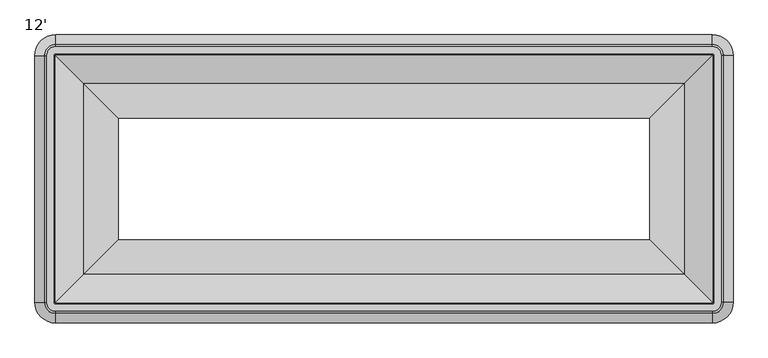
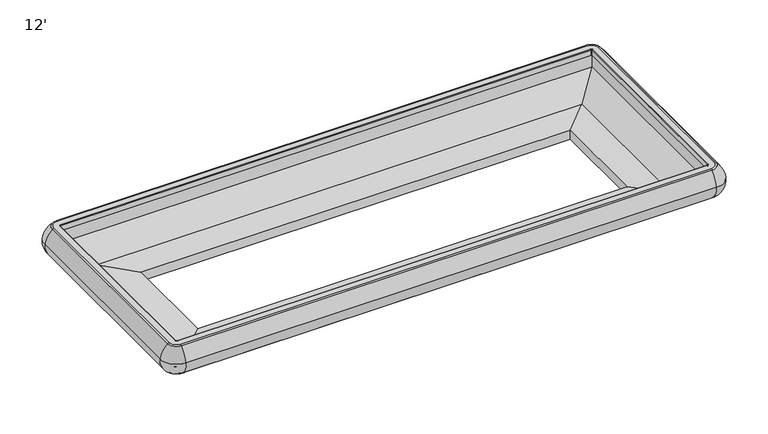
"""IFC4 building model written with IfcOpenShell, lengths in millimetres: proxy geometry, 12'."""

from ifc_helpers import new_model, si_unit, point, frame, origin, place, context, project, spatial, polyline, circle_curve, ellipse_curve, trimmed, faceted_brep, source, transform, mapped, element, save
from ifc_brep_helpers import plane_surface, cylinder_surface, revolved_surface, advanced_brep


def proxy_12_d27f2748(model_context):
    return source(origin(), model_context, "Body", "SolidModel", [
        advanced_brep(
        [(128.5372773, -2016.1117293, 594.7340526), (128.5372773, -1984.4852306, 504.5515988), (3773.5377227, -1984.4852306, 504.5515988), (3773.5377227, -2016.1117293, 594.7340526), (128.5372773, -1963.2278603, 687.1369709), (3773.5377227, -1963.2278603, 687.1369709), (128.5372773, -1952.4301981, 691.368246), (3773.5377227, -1952.4301981, 691.368246), (128.5372773, -1906.6873921, 649.6873876), (128.5372773, -1906.6873921, 688.1962924), (3773.5377227, -1906.6873921, 688.1962924), (3773.5377227, -1906.6873921, 649.6873876), (128.5372773, -1946.7201479, 529.929056), (128.5372773, -1946.7201479, 649.6873876), (3773.5377227, -1946.7201479, 649.6873876), (3773.5377227, -1946.7201479, 529.929056), (128.5372773, -1907.4969085, 502.405218), (3773.5377227, -1907.4969085, 502.405218), (128.5372773, -1979.7214149, 502.4019738), (3773.5377227, -1979.7214149, 502.4019738), (3888.2900979, -1901.3593541, 594.7340526), (3856.6635993, -1901.3593541, 504.5515988), (3835.4062289, -1901.3593541, 687.1369709), (3824.6085667, -1901.3593541, 691.368246), (3778.8657608, -1901.3593541, 649.6873876), (3778.8657608, -1901.3593541, 688.1962924), (3818.8985165, -1901.3593541, 529.929056), (3818.8985165, -1901.3593541, 649.6873876), (3779.6752772, -1901.3593541, 502.405218), (3851.8997836, -1901.3593541, 502.4019738), (3856.6635993, -529.6589086, 504.5515988), (3888.2900979, -529.6589086, 594.7340526), (3835.4062289, -529.6589086, 687.1369709), (3824.6085667, -529.6589086, 691.368246), (3778.8657608, -529.6589086, 688.1962924), (3778.8657608, -529.6589086, 649.6873876), (3818.8985165, -529.6589086, 649.6873876), (3818.8985165, -529.6589086, 529.929056), (3779.6752772, -529.6589086, 502.405218), (3851.8997836, -529.6589086, 502.4019738), (3773.5377227, -414.9065334, 594.7340526), (3773.5377227, -446.5330321, 504.5515988), (3773.5377227, -467.7904024, 687.1369709), (3773.5377227, -478.5880646, 691.368246), (3773.5377227, -524.3308706, 649.6873876), (3773.5377227, -524.3308706, 688.1962924), (3773.5377227, -484.2981148, 529.929056), (3773.5377227, -484.2981148, 649.6873876), (3773.5377227, -523.5213542, 502.405218), (3773.5377227, -451.2968477, 502.4019738), (128.5372773, -446.5330321, 504.5515988), (128.5372773, -414.9065334, 594.7340526), (128.5372773, -467.7904024, 687.1369709), (128.5372773, -478.5880646, 691.368246), (128.5372773, -524.3308706, 688.1962924), (128.5372773, -524.3308706, 649.6873876), (128.5372773, -484.2981148, 649.6873876), (128.5372773, -484.2981148, 529.929056), (128.5372773, -523.5213542, 502.405218), (128.5372773, -451.2968477, 502.4019738), (13.7849021, -529.6589086, 594.7340526), (45.4114007, -529.6589086, 504.5515988), (66.6687711, -529.6589086, 687.1369709), (77.4664333, -529.6589086, 691.368246), (123.2092392, -529.6589086, 649.6873876), (123.2092392, -529.6589086, 688.1962924), (83.1764835, -529.6589086, 529.929056), (83.1764835, -529.6589086, 649.6873876), (122.3997228, -529.6589086, 502.405218), (50.1752164, -529.6589086, 502.4019738), (45.4114007, -1901.3593541, 504.5515988), (13.7849021, -1901.3593541, 594.7340526), (66.6687711, -1901.3593541, 687.1369709), (77.4664333, -1901.3593541, 691.368246), (123.2092392, -1901.3593541, 688.1962924), (123.2092392, -1901.3593541, 649.6873876), (83.1764835, -1901.3593541, 649.6873876), (83.1764835, -1901.3593541, 529.929056), (122.3997228, -1901.3593541, 502.405218), (50.1752164, -1901.3593541, 502.4019738), (128.5372773, -1909.8593458, 691.368246), (120.0372856, -1901.3593541, 691.368246), (120.0372856, -529.6589086, 691.368246), (128.5372773, -521.1589169, 691.368246), (3773.5377227, -521.1589169, 691.368246), (3782.0377144, -529.6589086, 691.368246), (3782.0377144, -1901.3593541, 691.368246), (3773.5377227, -1909.8593458, 691.368246)],
        [
            (0, 1, circle_curve(frame((128.5372773, -1889.2571271, 588.5844274), z_axis=(1.0, 0.0, 0.0), x_axis=(0.0, 1.0, 0.0)), 127.0035747)),
            (1, 2),
            (2, 3, circle_curve(frame((3773.5377227, -1889.2571271, 588.5844274), z_axis=(-1.0, 0.0, 0.0), x_axis=(0.0, 1.0, 0.0)), 127.0035747)),
            (3, 0),
            (4, 0, circle_curve(frame((128.5372773, -1842.4146789, 556.6587336), z_axis=(1.0, 0.0, 0.0), x_axis=(0.0, 1.0, 0.0)), 177.8212451)),
            (3, 5, circle_curve(frame((3773.5377227, -1842.4146789, 556.6587336), z_axis=(-1.0, 0.0, 0.0), x_axis=(0.0, 1.0, 0.0)), 177.8212451)),
            (5, 4),
            (6, 4, circle_curve(frame((128.5372773, -1952.4301981, 675.4754956), z_axis=(1.0, 0.0, 0.0), x_axis=(0.0, 1.0, 0.0)), 15.8927504)),
            (5, 7, circle_curve(frame((3773.5377227, -1952.4301981, 675.4754956), z_axis=(-1.0, 0.0, 0.0), x_axis=(0.0, 1.0, 0.0)), 15.8927504)),
            (7, 6),
            (8, 9),
            (9, 10),
            (10, 11),
            (11, 8),
            (12, 13),
            (13, 14),
            (14, 15),
            (15, 12),
            (16, 12),
            (15, 17),
            (17, 16),
            (1, 18, circle_curve(frame((128.5372773, -1979.7214149, 508.7553674), z_axis=(1.0, 0.0, 0.0), x_axis=(0.0, 1.0, 0.0)), 6.3533936)),
            (18, 19),
            (19, 2, circle_curve(frame((3773.5377227, -1979.7214149, 508.7553674), z_axis=(-1.0, 0.0, 0.0), x_axis=(0.0, 1.0, 0.0)), 6.3533936)),
            (20, 3, circle_curve(frame((3773.5377227, -1901.3593541, 594.7340526), z_axis=(0.0, 0.0, -1.0), x_axis=(0.0, -1.0, 0.0)), 114.7523752)),
            (2, 21, circle_curve(frame((3773.5377227, -1901.3593541, 504.5515988), z_axis=(0.0, 0.0, 1.0), x_axis=(0.0, -1.0, 0.0)), 83.1258766)),
            (21, 20, circle_curve(frame((3761.4354958, -1901.3593541, 588.5844274), z_axis=(0.0, -1.0, 0.0), x_axis=(-1.0, 0.0, 0.0)), 127.0035747)),
            (22, 5, circle_curve(frame((3773.5377227, -1901.3593541, 687.1369709), z_axis=(0.0, 0.0, -1.0), x_axis=(0.0, -1.0, 0.0)), 61.8685062)),
            (20, 22, circle_curve(frame((3714.5930476, -1901.3593541, 556.6587336), z_axis=(0.0, -1.0, 0.0), x_axis=(-1.0, 0.0, 0.0)), 177.8212451)),
            (23, 7, circle_curve(frame((3773.5377227, -1901.3593541, 691.368246), z_axis=(0.0, 0.0, -1.0), x_axis=(0.0, -1.0, 0.0)), 51.070844)),
            (22, 23, circle_curve(frame((3824.6085667, -1901.3593541, 675.4754956), z_axis=(0.0, -1.0, 0.0), x_axis=(-1.0, 0.0, 0.0)), 15.8927504)),
            (24, 11, circle_curve(frame((3773.5377227, -1901.3593541, 649.6873876), z_axis=(0.0, 0.0, -1.0), x_axis=(0.0, -1.0, 0.0)), 5.3280381)),
            (10, 25, circle_curve(frame((3773.5377227, -1901.3593541, 688.1962924), z_axis=(0.0, 0.0, 1.0), x_axis=(0.0, -1.0, 0.0)), 5.3280381)),
            (25, 24),
            (26, 15, circle_curve(frame((3773.5377227, -1901.3593541, 529.929056), z_axis=(0.0, 0.0, -1.0), x_axis=(0.0, -1.0, 0.0)), 45.3607938)),
            (14, 27, circle_curve(frame((3773.5377227, -1901.3593541, 649.6873876), z_axis=(0.0, 0.0, 1.0), x_axis=(0.0, -1.0, 0.0)), 45.3607938)),
            (27, 26),
            (28, 17, circle_curve(frame((3773.5377227, -1901.3593541, 502.405218), z_axis=(0.0, 0.0, -1.0), x_axis=(0.0, -1.0, 0.0)), 6.1375545)),
            (26, 28),
            (19, 29, circle_curve(frame((3773.5377227, -1901.3593541, 502.4019738), z_axis=(0.0, 0.0, 1.0), x_axis=(0.0, -1.0, 0.0)), 78.3620609)),
            (29, 21, circle_curve(frame((3851.8997836, -1901.3593541, 508.7553674), z_axis=(0.0, -1.0, 0.0), x_axis=(-1.0, 0.0, 0.0)), 6.3533936)),
            (21, 30),
            (30, 31, circle_curve(frame((3761.4354958, -529.6589086, 588.5844274), z_axis=(0.0, -1.0, 0.0), x_axis=(-1.0, 0.0, 0.0)), 127.0035747)),
            (31, 20),
            (31, 32, circle_curve(frame((3714.5930476, -529.6589086, 556.6587336), z_axis=(0.0, -1.0, 0.0), x_axis=(-1.0, 0.0, 0.0)), 177.8212451)),
            (32, 22),
            (32, 33, circle_curve(frame((3824.6085667, -529.6589086, 675.4754956), z_axis=(0.0, -1.0, 0.0), x_axis=(-1.0, 0.0, 0.0)), 15.8927504)),
            (33, 23),
            (25, 34),
            (34, 35),
            (35, 24),
            (27, 36),
            (36, 37),
            (37, 26),
            (37, 38),
            (38, 28),
            (29, 39),
            (39, 30, circle_curve(frame((3851.8997836, -529.6589086, 508.7553674), z_axis=(0.0, -1.0, 0.0), x_axis=(-1.0, 0.0, 0.0)), 6.3533936)),
            (40, 31, circle_curve(frame((3773.5377227, -529.6589086, 594.7340526), z_axis=(0.0, 0.0, -1.0), x_axis=(1.0, 0.0, 0.0)), 114.7523752)),
            (30, 41, circle_curve(frame((3773.5377227, -529.6589086, 504.5515988), z_axis=(0.0, 0.0, 1.0), x_axis=(1.0, 0.0, 0.0)), 83.1258766)),
            (41, 40, circle_curve(frame((3773.5377227, -541.7611356, 588.5844274), z_axis=(1.0, 0.0, 0.0), x_axis=(0.0, -1.0, 0.0)), 127.0035747)),
            (42, 32, circle_curve(frame((3773.5377227, -529.6589086, 687.1369709), z_axis=(0.0, 0.0, -1.0), x_axis=(1.0, 0.0, 0.0)), 61.8685062)),
            (40, 42, circle_curve(frame((3773.5377227, -588.6035838, 556.6587336), z_axis=(1.0, 0.0, 0.0), x_axis=(0.0, -1.0, 0.0)), 177.8212451)),
            (43, 33, circle_curve(frame((3773.5377227, -529.6589086, 691.368246), z_axis=(0.0, 0.0, -1.0), x_axis=(1.0, 0.0, 0.0)), 51.070844)),
            (42, 43, circle_curve(frame((3773.5377227, -478.5880646, 675.4754956), z_axis=(1.0, 0.0, 0.0), x_axis=(0.0, -1.0, 0.0)), 15.8927504)),
            (44, 35, circle_curve(frame((3773.5377227, -529.6589086, 649.6873876), z_axis=(0.0, 0.0, -1.0), x_axis=(1.0, 0.0, 0.0)), 5.3280381)),
            (34, 45, circle_curve(frame((3773.5377227, -529.6589086, 688.1962924), z_axis=(0.0, 0.0, 1.0), x_axis=(1.0, 0.0, 0.0)), 5.3280381)),
            (45, 44),
            (46, 37, circle_curve(frame((3773.5377227, -529.6589086, 529.929056), z_axis=(0.0, 0.0, -1.0), x_axis=(1.0, 0.0, 0.0)), 45.3607938)),
            (36, 47, circle_curve(frame((3773.5377227, -529.6589086, 649.6873876), z_axis=(0.0, 0.0, 1.0), x_axis=(1.0, 0.0, 0.0)), 45.3607938)),
            (47, 46),
            (48, 38, circle_curve(frame((3773.5377227, -529.6589086, 502.405218), z_axis=(0.0, 0.0, -1.0), x_axis=(1.0, 0.0, 0.0)), 6.1375545)),
            (46, 48),
            (39, 49, circle_curve(frame((3773.5377227, -529.6589086, 502.4019738), z_axis=(0.0, 0.0, 1.0), x_axis=(1.0, 0.0, 0.0)), 78.3620609)),
            (49, 41, circle_curve(frame((3773.5377227, -451.2968477, 508.7553674), z_axis=(1.0, 0.0, 0.0), x_axis=(0.0, -1.0, 0.0)), 6.3533936)),
            (41, 50),
            (50, 51, circle_curve(frame((128.5372773, -541.7611356, 588.5844274), z_axis=(1.0, 0.0, 0.0), x_axis=(0.0, -1.0, 0.0)), 127.0035747)),
            (51, 40),
            (51, 52, circle_curve(frame((128.5372773, -588.6035838, 556.6587336), z_axis=(1.0, 0.0, 0.0), x_axis=(0.0, -1.0, 0.0)), 177.8212451)),
            (52, 42),
            (52, 53, circle_curve(frame((128.5372773, -478.5880646, 675.4754956), z_axis=(1.0, 0.0, 0.0), x_axis=(0.0, -1.0, 0.0)), 15.8927504)),
            (53, 43),
            (45, 54),
            (54, 55),
            (55, 44),
            (47, 56),
            (56, 57),
            (57, 46),
            (57, 58),
            (58, 48),
            (49, 59),
            (59, 50, circle_curve(frame((128.5372773, -451.2968477, 508.7553674), z_axis=(1.0, 0.0, 0.0), x_axis=(0.0, -1.0, 0.0)), 6.3533936)),
            (60, 51, circle_curve(frame((128.5372773, -529.6589086, 594.7340526), z_axis=(0.0, 0.0, -1.0), x_axis=(0.0, 1.0, 0.0)), 114.7523752)),
            (50, 61, circle_curve(frame((128.5372773, -529.6589086, 504.5515988), z_axis=(0.0, 0.0, 1.0), x_axis=(0.0, 1.0, 0.0)), 83.1258766)),
            (61, 60, circle_curve(frame((140.6395042, -529.6589086, 588.5844274), z_axis=(0.0, 1.0, 0.0), x_axis=(1.0, 0.0, 0.0)), 127.0035747)),
            (62, 52, circle_curve(frame((128.5372773, -529.6589086, 687.1369709), z_axis=(0.0, 0.0, -1.0), x_axis=(0.0, 1.0, 0.0)), 61.8685062)),
            (60, 62, circle_curve(frame((187.4819524, -529.6589086, 556.6587336), z_axis=(0.0, 1.0, 0.0), x_axis=(1.0, 0.0, 0.0)), 177.8212451)),
            (63, 53, circle_curve(frame((128.5372773, -529.6589086, 691.368246), z_axis=(0.0, 0.0, -1.0), x_axis=(0.0, 1.0, 0.0)), 51.070844)),
            (62, 63, circle_curve(frame((77.4664333, -529.6589086, 675.4754956), z_axis=(0.0, 1.0, 0.0), x_axis=(1.0, 0.0, 0.0)), 15.8927504)),
            (64, 55, circle_curve(frame((128.5372773, -529.6589086, 649.6873876), z_axis=(0.0, 0.0, -1.0), x_axis=(0.0, 1.0, 0.0)), 5.3280381)),
            (54, 65, circle_curve(frame((128.5372773, -529.6589086, 688.1962924), z_axis=(0.0, 0.0, 1.0), x_axis=(0.0, 1.0, 0.0)), 5.3280381)),
            (65, 64),
            (66, 57, circle_curve(frame((128.5372773, -529.6589086, 529.929056), z_axis=(0.0, 0.0, -1.0), x_axis=(0.0, 1.0, 0.0)), 45.3607938)),
            (56, 67, circle_curve(frame((128.5372773, -529.6589086, 649.6873876), z_axis=(0.0, 0.0, 1.0), x_axis=(0.0, 1.0, 0.0)), 45.3607938)),
            (67, 66),
            (68, 58, circle_curve(frame((128.5372773, -529.6589086, 502.405218), z_axis=(0.0, 0.0, -1.0), x_axis=(0.0, 1.0, 0.0)), 6.1375545)),
            (66, 68),
            (59, 69, circle_curve(frame((128.5372773, -529.6589086, 502.4019738), z_axis=(0.0, 0.0, 1.0), x_axis=(0.0, 1.0, 0.0)), 78.3620609)),
            (69, 61, circle_curve(frame((50.1752164, -529.6589086, 508.7553674), z_axis=(0.0, 1.0, 0.0), x_axis=(1.0, 0.0, 0.0)), 6.3533936)),
            (61, 70),
            (70, 71, circle_curve(frame((140.6395042, -1901.3593541, 588.5844274), z_axis=(0.0, 1.0, 0.0), x_axis=(1.0, 0.0, 0.0)), 127.0035747)),
            (71, 60),
            (71, 72, circle_curve(frame((187.4819524, -1901.3593541, 556.6587336), z_axis=(0.0, 1.0, 0.0), x_axis=(1.0, 0.0, 0.0)), 177.8212451)),
            (72, 62),
            (72, 73, circle_curve(frame((77.4664333, -1901.3593541, 675.4754956), z_axis=(0.0, 1.0, 0.0), x_axis=(1.0, 0.0, 0.0)), 15.8927504)),
            (73, 63),
            (65, 74),
            (74, 75),
            (75, 64),
            (67, 76),
            (76, 77),
            (77, 66),
            (77, 78),
            (78, 68),
            (69, 79),
            (79, 70, circle_curve(frame((50.1752164, -1901.3593541, 508.7553674), z_axis=(0.0, 1.0, 0.0), x_axis=(1.0, 0.0, 0.0)), 6.3533936)),
            (0, 71, circle_curve(frame((128.5372773, -1901.3593541, 594.7340526), z_axis=(0.0, 0.0, -1.0), x_axis=(-1.0, 0.0, 0.0)), 114.7523752)),
            (70, 1, circle_curve(frame((128.5372773, -1901.3593541, 504.5515988), z_axis=(0.0, 0.0, 1.0), x_axis=(-1.0, 0.0, 0.0)), 83.1258766)),
            (4, 72, circle_curve(frame((128.5372773, -1901.3593541, 687.1369709), z_axis=(0.0, 0.0, -1.0), x_axis=(-1.0, 0.0, 0.0)), 61.8685062)),
            (6, 73, circle_curve(frame((128.5372773, -1901.3593541, 691.368246), z_axis=(0.0, 0.0, -1.0), x_axis=(-1.0, 0.0, 0.0)), 51.070844)),
            (80, 81, circle_curve(frame((128.5372773, -1901.3593541, 691.368246), z_axis=(0.0, 0.0, -1.0), x_axis=(-1.0, 0.0, 0.0)), 8.4999917)),
            (81, 82),
            (82, 83, circle_curve(frame((128.5372773, -529.6589086, 691.368246), z_axis=(0.0, 0.0, -1.0), x_axis=(0.0, 1.0, 0.0)), 8.4999917)),
            (83, 84),
            (84, 85, circle_curve(frame((3773.5377227, -529.6589086, 691.368246), z_axis=(0.0, 0.0, -1.0), x_axis=(1.0, 0.0, 0.0)), 8.4999917)),
            (85, 86),
            (86, 87, circle_curve(frame((3773.5377227, -1901.3593541, 691.368246), z_axis=(0.0, 0.0, -1.0), x_axis=(0.0, -1.0, 0.0)), 8.4999917)),
            (87, 80),
            (8, 75, circle_curve(frame((128.5372773, -1901.3593541, 649.6873876), z_axis=(0.0, 0.0, -1.0), x_axis=(-1.0, 0.0, 0.0)), 5.3280381)),
            (74, 9, circle_curve(frame((128.5372773, -1901.3593541, 688.1962924), z_axis=(0.0, 0.0, 1.0), x_axis=(-1.0, 0.0, 0.0)), 5.3280381)),
            (13, 76, circle_curve(frame((128.5372773, -1901.3593541, 649.6873876), z_axis=(0.0, 0.0, -1.0), x_axis=(-1.0, 0.0, 0.0)), 45.3607938)),
            (12, 77, circle_curve(frame((128.5372773, -1901.3593541, 529.929056), z_axis=(0.0, 0.0, -1.0), x_axis=(-1.0, 0.0, 0.0)), 45.3607938)),
            (16, 78, circle_curve(frame((128.5372773, -1901.3593541, 502.405218), z_axis=(0.0, 0.0, -1.0), x_axis=(-1.0, 0.0, 0.0)), 6.1375545)),
            (18, 79, circle_curve(frame((128.5372773, -1901.3593541, 502.405218), z_axis=(0.0, 0.0, -1.0), x_axis=(-1.0, 0.0, 0.0)), 78.3620609)),
            (10, 87, circle_curve(frame((3773.5377227, -1909.8593458, 688.1962924), z_axis=(1.0, 0.0, 0.0), x_axis=(0.0, 1.0, 0.0)), 3.1719536)),
            (86, 25, circle_curve(frame((3782.0377144, -1901.3593541, 688.1962924), z_axis=(0.0, -1.0, 0.0), x_axis=(-1.0, 0.0, 0.0)), 3.1719536)),
            (85, 34, circle_curve(frame((3782.0377144, -529.6589086, 688.1962924), z_axis=(0.0, -1.0, 0.0), x_axis=(-1.0, 0.0, 0.0)), 3.1719536)),
            (84, 45, circle_curve(frame((3773.5377227, -521.1589169, 688.1962924), z_axis=(1.0, 0.0, 0.0), x_axis=(0.0, -1.0, 0.0)), 3.1719536)),
            (83, 54, circle_curve(frame((128.5372773, -521.1589169, 688.1962924), z_axis=(1.0, 0.0, 0.0), x_axis=(0.0, -1.0, 0.0)), 3.1719536)),
            (82, 65, circle_curve(frame((120.0372856, -529.6589086, 688.1962924), z_axis=(0.0, 1.0, 0.0), x_axis=(1.0, 0.0, 0.0)), 3.1719536)),
            (81, 74, circle_curve(frame((120.0372856, -1901.3593541, 688.1962924), z_axis=(0.0, 1.0, 0.0), x_axis=(1.0, 0.0, 0.0)), 3.1719536)),
            (80, 9, circle_curve(frame((128.5372773, -1909.8593458, 688.1962924), z_axis=(-1.0, 0.0, 0.0), x_axis=(0.0, 1.0, 0.0)), 3.1719536)),
        ],
        [
            cylinder_surface(frame((128.5372773, -1889.2571271, 588.5844274), z_axis=(-1.0, 0.0, 0.0), x_axis=(0.0, 1.0, 0.0)), 127.0035747),
            cylinder_surface(frame((128.5372773, -1842.4146789, 556.6587336), z_axis=(-1.0, 0.0, 0.0), x_axis=(0.0, 1.0, 0.0)), 177.8212451),
            cylinder_surface(frame((128.5372773, -1952.4301981, 675.4754956), z_axis=(-1.0, 0.0, 0.0), x_axis=(0.0, 1.0, 0.0)), 15.8927504),
            plane_surface(frame((128.5372773, -1906.6873921, 688.1962924), z_axis=(0.0, 1.0, 0.0), x_axis=(1.0, 0.0, 0.0))),
            plane_surface(frame((128.5372773, -1946.7201479, 649.6873876), z_axis=(0.0, 1.0, 0.0), x_axis=(1.0, 0.0, 0.0))),
            plane_surface(frame((128.5372773, -1946.7201479, 529.929056), z_axis=(0.0, 0.5744083781667253, 0.8185688823134388), x_axis=(1.0, 0.0, 0.0))),
            cylinder_surface(frame((128.5372773, -1979.7214149, 508.7553674), z_axis=(-1.0, 0.0, 0.0), x_axis=(0.0, 1.0, 0.0)), 6.3533936),
            revolved_surface(trimmed(ellipse_curve(frame((3773.5377227, -1889.2571271, 588.5844274), z_axis=(-1.0, 0.0, 0.0), x_axis=(0.0, 1.0, 0.0)), 127.0035747, 127.0035747), [point((3773.5377227, -1984.4852306, 504.5515988))], [point((3773.5377227, -2016.1117293, 594.7340526))], True, "CARTESIAN"), (3773.5377227, -1901.3593541, 0.0), (0.0, 0.0, 1.0)),
            revolved_surface(trimmed(ellipse_curve(frame((3773.5377227, -1842.4146789, 556.6587336), z_axis=(-1.0, 0.0, 0.0), x_axis=(0.0, 1.0, 0.0)), 177.8212451, 177.8212451), [point((3773.5377227, -2016.1117293, 594.7340526))], [point((3773.5377227, -1963.2278603, 687.1369709))], True, "CARTESIAN"), (3773.5377227, -1901.3593541, 0.0), (0.0, 0.0, 1.0)),
            revolved_surface(trimmed(ellipse_curve(frame((3773.5377227, -1952.4301981, 675.4754956), z_axis=(-1.0, 0.0, 0.0), x_axis=(0.0, 1.0, 0.0)), 15.8927504, 15.8927504), [point((3773.5377227, -1963.2278603, 687.1369709))], [point((3773.5377227, -1952.4301981, 691.368246))], True, "CARTESIAN"), (3773.5377227, -1901.3593541, 0.0), (0.0, 0.0, 1.0)),
            revolved_surface(polyline([(3773.5377227, -1906.6873922, 688.1962924), (3773.5377227, -1906.6873922, 649.6873876)]), (3773.5377227, -1901.3593541, 0.0), (0.0, 0.0, 1.0)),
            revolved_surface(polyline([(3773.5377227, -1946.7201479, 649.6873876), (3773.5377227, -1946.7201479, 529.929056)]), (3773.5377227, -1901.3593541, 0.0), (0.0, 0.0, 1.0)),
            revolved_surface(polyline([(3773.5377227, -1946.7201479, 529.929056), (3773.5377227, -1907.4969085, 502.405218)]), (3773.5377227, -1901.3593541, 0.0), (0.0, 0.0, 1.0)),
            revolved_surface(trimmed(ellipse_curve(frame((3773.5377227, -1979.7214149, 508.7553674), z_axis=(-1.0, 0.0, 0.0), x_axis=(0.0, 1.0, 0.0)), 6.3533936, 6.3533936), [point((3773.5377227, -1979.7214149, 502.4019738))], [point((3773.5377227, -1984.4852306, 504.5515988))], True, "CARTESIAN"), (3773.5377227, -1901.3593541, 0.0), (0.0, 0.0, 1.0)),
            cylinder_surface(frame((3761.4354958, -1901.3593541, 588.5844274), z_axis=(0.0, -1.0, 0.0), x_axis=(-1.0, 0.0, 0.0)), 127.0035747),
            cylinder_surface(frame((3714.5930476, -1901.3593541, 556.6587336), z_axis=(0.0, -1.0, 0.0), x_axis=(-1.0, 0.0, 0.0)), 177.8212451),
            cylinder_surface(frame((3824.6085667, -1901.3593541, 675.4754956), z_axis=(0.0, -1.0, 0.0), x_axis=(-1.0, 0.0, 0.0)), 15.8927504),
            plane_surface(frame((3778.8657608, -1901.3593541, 688.1962924), z_axis=(-1.0, 0.0, 0.0), x_axis=(0.0, 1.0, 0.0))),
            plane_surface(frame((3818.8985165, -1901.3593541, 649.6873876), z_axis=(-1.0, 0.0, 0.0), x_axis=(0.0, 1.0, 0.0))),
            plane_surface(frame((3818.8985165, -1901.3593541, 529.929056), z_axis=(-0.5744083781667253, 0.0, 0.8185688823134388), x_axis=(0.0, 1.0, 0.0))),
            cylinder_surface(frame((3851.8997836, -1901.3593541, 508.7553674), z_axis=(0.0, -1.0, 0.0), x_axis=(-1.0, 0.0, 0.0)), 6.3533936),
            revolved_surface(trimmed(ellipse_curve(frame((3761.4354958, -529.6589086, 588.5844274), z_axis=(0.0, -1.0, 0.0), x_axis=(-1.0, 0.0, 0.0)), 127.0035747, 127.0035747), [point((3856.6635993, -529.6589086, 504.5515988))], [point((3888.2900979, -529.6589086, 594.7340526))], True, "CARTESIAN"), (3773.5377227, -529.6589086, 0.0), (0.0, 0.0, 1.0)),
            revolved_surface(trimmed(ellipse_curve(frame((3714.5930476, -529.6589086, 556.6587336), z_axis=(0.0, -1.0, 0.0), x_axis=(-1.0, 0.0, 0.0)), 177.8212451, 177.8212451), [point((3888.2900979, -529.6589086, 594.7340526))], [point((3835.4062289, -529.6589086, 687.1369709))], True, "CARTESIAN"), (3773.5377227, -529.6589086, 0.0), (0.0, 0.0, 1.0)),
            revolved_surface(trimmed(ellipse_curve(frame((3824.6085667, -529.6589086, 675.4754956), z_axis=(0.0, -1.0, 0.0), x_axis=(-1.0, 0.0, 0.0)), 15.8927504, 15.8927504), [point((3835.4062289, -529.6589086, 687.1369709))], [point((3824.6085667, -529.6589086, 691.368246))], True, "CARTESIAN"), (3773.5377227, -529.6589086, 0.0), (0.0, 0.0, 1.0)),
            revolved_surface(polyline([(3778.8657608, -529.6589086, 688.1962924), (3778.8657608, -529.6589086, 649.6873876)]), (3773.5377227, -529.6589086, 0.0), (0.0, 0.0, 1.0)),
            revolved_surface(polyline([(3818.8985165, -529.6589086, 649.6873876), (3818.8985165, -529.6589086, 529.929056)]), (3773.5377227, -529.6589086, 0.0), (0.0, 0.0, 1.0)),
            revolved_surface(polyline([(3818.8985165, -529.6589086, 529.929056), (3779.6752772, -529.6589086, 502.405218)]), (3773.5377227, -529.6589086, 0.0), (0.0, 0.0, 1.0)),
            revolved_surface(trimmed(ellipse_curve(frame((3851.8997836, -529.6589086, 508.7553674), z_axis=(0.0, -1.0, 0.0), x_axis=(-1.0, 0.0, 0.0)), 6.3533936, 6.3533936), [point((3851.8997836, -529.6589086, 502.4019738))], [point((3856.6635993, -529.6589086, 504.5515988))], True, "CARTESIAN"), (3773.5377227, -529.6589086, 0.0), (0.0, 0.0, 1.0)),
            cylinder_surface(frame((3773.5377227, -541.7611356, 588.5844274), z_axis=(1.0, 0.0, 0.0), x_axis=(0.0, -1.0, 0.0)), 127.0035747),
            cylinder_surface(frame((3773.5377227, -588.6035838, 556.6587336), z_axis=(1.0, 0.0, 0.0), x_axis=(0.0, -1.0, 0.0)), 177.8212451),
            cylinder_surface(frame((3773.5377227, -478.5880646, 675.4754956), z_axis=(1.0, 0.0, 0.0), x_axis=(0.0, -1.0, 0.0)), 15.8927504),
            plane_surface(frame((3773.5377227, -524.3308706, 688.1962924), z_axis=(0.0, -1.0, 0.0), x_axis=(-1.0, 0.0, 0.0))),
            plane_surface(frame((3773.5377227, -484.2981148, 649.6873876), z_axis=(0.0, -1.0, 0.0), x_axis=(-1.0, 0.0, 0.0))),
            plane_surface(frame((3773.5377227, -484.2981148, 529.929056), z_axis=(0.0, -0.5744083781667253, 0.8185688823134388), x_axis=(-1.0, 0.0, 0.0))),
            cylinder_surface(frame((3773.5377227, -451.2968477, 508.7553674), z_axis=(1.0, 0.0, 0.0), x_axis=(0.0, -1.0, 0.0)), 6.3533936),
            revolved_surface(trimmed(ellipse_curve(frame((128.5372773, -541.7611356, 588.5844274), z_axis=(1.0, 0.0, 0.0), x_axis=(0.0, -1.0, 0.0)), 127.0035747, 127.0035747), [point((128.5372773, -446.5330321, 504.5515988))], [point((128.5372773, -414.9065334, 594.7340526))], True, "CARTESIAN"), (128.5372773, -529.6589086, 0.0), (0.0, 0.0, 1.0)),
            revolved_surface(trimmed(ellipse_curve(frame((128.5372773, -588.6035838, 556.6587336), z_axis=(1.0, 0.0, 0.0), x_axis=(0.0, -1.0, 0.0)), 177.8212451, 177.8212451), [point((128.5372773, -414.9065334, 594.7340526))], [point((128.5372773, -467.7904024, 687.1369709))], True, "CARTESIAN"), (128.5372773, -529.6589086, 0.0), (0.0, 0.0, 1.0)),
            revolved_surface(trimmed(ellipse_curve(frame((128.5372773, -478.5880646, 675.4754956), z_axis=(1.0, 0.0, 0.0), x_axis=(0.0, -1.0, 0.0)), 15.8927504, 15.8927504), [point((128.5372773, -467.7904024, 687.1369709))], [point((128.5372773, -478.5880646, 691.368246))], True, "CARTESIAN"), (128.5372773, -529.6589086, 0.0), (0.0, 0.0, 1.0)),
            revolved_surface(polyline([(128.5372773, -524.3308705000001, 688.1962924), (128.5372773, -524.3308705000001, 649.6873876)]), (128.5372773, -529.6589086, 0.0), (0.0, 0.0, 1.0)),
            revolved_surface(polyline([(128.5372773, -484.2981148, 649.6873876), (128.5372773, -484.2981148, 529.929056)]), (128.5372773, -529.6589086, 0.0), (0.0, 0.0, 1.0)),
            revolved_surface(polyline([(128.5372773, -484.2981148, 529.929056), (128.5372773, -523.5213542, 502.405218)]), (128.5372773, -529.6589086, 0.0), (0.0, 0.0, 1.0)),
            revolved_surface(trimmed(ellipse_curve(frame((128.5372773, -451.2968477, 508.7553674), z_axis=(1.0, 0.0, 0.0), x_axis=(0.0, -1.0, 0.0)), 6.3533936, 6.3533936), [point((128.5372773, -451.2968477, 502.4019738))], [point((128.5372773, -446.5330321, 504.5515988))], True, "CARTESIAN"), (128.5372773, -529.6589086, 0.0), (0.0, 0.0, 1.0)),
            cylinder_surface(frame((140.6395042, -529.6589086, 588.5844274), z_axis=(0.0, 1.0, 0.0), x_axis=(1.0, 0.0, 0.0)), 127.0035747),
            cylinder_surface(frame((187.4819524, -529.6589086, 556.6587336), z_axis=(0.0, 1.0, 0.0), x_axis=(1.0, 0.0, 0.0)), 177.8212451),
            cylinder_surface(frame((77.4664333, -529.6589086, 675.4754956), z_axis=(0.0, 1.0, 0.0), x_axis=(1.0, 0.0, 0.0)), 15.8927504),
            plane_surface(frame((123.2092392, -529.6589086, 688.1962924), z_axis=(1.0, 0.0, 0.0), x_axis=(0.0, -1.0, 0.0))),
            plane_surface(frame((83.1764835, -529.6589086, 649.6873876), z_axis=(1.0, 0.0, 0.0), x_axis=(0.0, -1.0, 0.0))),
            plane_surface(frame((83.1764835, -529.6589086, 529.929056), z_axis=(0.5744083781667253, 0.0, 0.8185688823134388), x_axis=(0.0, -1.0, 0.0))),
            cylinder_surface(frame((50.1752164, -529.6589086, 508.7553674), z_axis=(0.0, 1.0, 0.0), x_axis=(1.0, 0.0, 0.0)), 6.3533936),
            revolved_surface(trimmed(ellipse_curve(frame((140.6395042, -1901.3593541, 588.5844274), z_axis=(0.0, 1.0, 0.0), x_axis=(1.0, 0.0, 0.0)), 127.0035747, 127.0035747), [point((45.4114007, -1901.3593541, 504.5515988))], [point((13.7849021, -1901.3593541, 594.7340526))], True, "CARTESIAN"), (128.5372773, -1901.3593541, 0.0), (0.0, 0.0, 1.0)),
            revolved_surface(trimmed(ellipse_curve(frame((187.4819524, -1901.3593541, 556.6587336), z_axis=(0.0, 1.0, 0.0), x_axis=(1.0, 0.0, 0.0)), 177.8212451, 177.8212451), [point((13.7849021, -1901.3593541, 594.7340526))], [point((66.6687711, -1901.3593541, 687.1369709))], True, "CARTESIAN"), (128.5372773, -1901.3593541, 0.0), (0.0, 0.0, 1.0)),
            revolved_surface(trimmed(ellipse_curve(frame((77.4664333, -1901.3593541, 675.4754956), z_axis=(0.0, 1.0, 0.0), x_axis=(1.0, 0.0, 0.0)), 15.8927504, 15.8927504), [point((66.6687711, -1901.3593541, 687.1369709))], [point((77.4664333, -1901.3593541, 691.368246))], True, "CARTESIAN"), (128.5372773, -1901.3593541, 0.0), (0.0, 0.0, 1.0)),
            plane_surface(frame((128.5372773, -1901.3593541, 691.368246), z_axis=(0.0, 0.0, 1.0), x_axis=(-1.0, 0.0, 0.0))),
            revolved_surface(polyline([(123.2092392, -1901.3593541, 688.1962924), (123.2092392, -1901.3593541, 649.6873876)]), (128.5372773, -1901.3593541, 0.0), (0.0, 0.0, 1.0)),
            plane_surface(frame((128.5372773, -1901.3593541, 649.6873876), z_axis=(0.0, 0.0, -1.0), x_axis=(-1.0, 0.0, 0.0))),
            revolved_surface(polyline([(83.17648349999999, -1901.3593541, 649.6873876), (83.17648349999999, -1901.3593541, 529.929056)]), (128.5372773, -1901.3593541, 0.0), (0.0, 0.0, 1.0)),
            revolved_surface(polyline([(83.1764835, -1901.3593541, 529.929056), (122.3997228, -1901.3593541, 502.405218)]), (128.5372773, -1901.3593541, 0.0), (0.0, 0.0, 1.0)),
            plane_surface(frame((128.5372773, -1901.3593541, 502.405218), z_axis=(0.0, 0.0, -1.0), x_axis=(-1.0, 0.0, 0.0))),
            revolved_surface(trimmed(ellipse_curve(frame((50.1752164, -1901.3593541, 508.7553674), z_axis=(0.0, 1.0, 0.0), x_axis=(1.0, 0.0, 0.0)), 6.3533936, 6.3533936), [point((50.1752164, -1901.3593541, 502.4019738))], [point((45.4114007, -1901.3593541, 504.5515988))], True, "CARTESIAN"), (128.5372773, -1901.3593541, 0.0), (0.0, 0.0, 1.0)),
            revolved_surface(trimmed(ellipse_curve(frame((3773.5377227, -1909.8593458, 688.1962924), z_axis=(-1.0, 0.0, 0.0), x_axis=(0.0, 1.0, 0.0)), 3.1719536, 3.1719536), [point((3773.5377227, -1909.8593458, 691.368246))], [point((3773.5377227, -1906.6873921, 688.1962924))], True, "CARTESIAN"), (3773.5377227, -1901.3593541, 0.0), (0.0, 0.0, 1.0)),
            cylinder_surface(frame((3782.0377144, -1901.3593541, 688.1962924), z_axis=(0.0, -1.0, 0.0), x_axis=(-1.0, 0.0, 0.0)), 3.1719536),
            revolved_surface(trimmed(ellipse_curve(frame((3782.0377144, -529.6589086, 688.1962924), z_axis=(0.0, -1.0, 0.0), x_axis=(-1.0, 0.0, 0.0)), 3.1719536, 3.1719536), [point((3782.0377144, -529.6589086, 691.368246))], [point((3778.8657608, -529.6589086, 688.1962924))], True, "CARTESIAN"), (3773.5377227, -529.6589086, 0.0), (0.0, 0.0, 1.0)),
            cylinder_surface(frame((3773.5377227, -521.1589169, 688.1962924), z_axis=(1.0, 0.0, 0.0), x_axis=(0.0, -1.0, 0.0)), 3.1719536),
            revolved_surface(trimmed(ellipse_curve(frame((128.5372773, -521.1589169, 688.1962924), z_axis=(1.0, 0.0, 0.0), x_axis=(0.0, -1.0, 0.0)), 3.1719536, 3.1719536), [point((128.5372773, -521.1589169, 691.368246))], [point((128.5372773, -524.3308706, 688.1962924))], True, "CARTESIAN"), (128.5372773, -529.6589086, 0.0), (0.0, 0.0, 1.0)),
            cylinder_surface(frame((120.0372856, -529.6589086, 688.1962924), z_axis=(0.0, 1.0, 0.0), x_axis=(1.0, 0.0, 0.0)), 3.1719536),
            revolved_surface(trimmed(ellipse_curve(frame((120.0372856, -1901.3593541, 688.1962924), z_axis=(0.0, 1.0, 0.0), x_axis=(1.0, 0.0, 0.0)), 3.1719536, 3.1719536), [point((120.0372856, -1901.3593541, 691.368246))], [point((123.2092392, -1901.3593541, 688.1962924))], True, "CARTESIAN"), (128.5372773, -1901.3593541, 0.0), (0.0, 0.0, 1.0)),
            cylinder_surface(frame((128.5372773, -1909.8593458, 688.1962924), z_axis=(-1.0, 0.0, 0.0), x_axis=(0.0, 1.0, 0.0)), 3.1719536),
        ],
        [
            (0, [[1, 2, 3, 4]]),
            (1, [[5, -4, 6, 7]]),
            (2, [[8, -7, 9, 10]]),
            (3, [[11, 12, 13, 14]]),
            (4, [[15, 16, 17, 18]]),
            (5, [[19, -18, 20, 21]]),
            (6, [[22, 23, 24, -2]]),
            (7, [[25, -3, 26, 27]]),
            (8, [[28, -6, -25, 29]]),
            (9, [[30, -9, -28, 31]]),
            (10, [[32, -13, 33, 34]]),
            (11, [[35, -17, 36, 37]]),
            (12, [[38, -20, -35, 39]]),
            (13, [[-26, -24, 40, 41]]),
            (14, [[-27, 42, 43, 44]]),
            (15, [[-29, -44, 45, 46]]),
            (16, [[-31, -46, 47, 48]]),
            (17, [[-34, 49, 50, 51]]),
            (18, [[-37, 52, 53, 54]]),
            (19, [[-39, -54, 55, 56]]),
            (20, [[-41, 57, 58, -42]]),
            (21, [[59, -43, 60, 61]]),
            (22, [[62, -45, -59, 63]]),
            (23, [[64, -47, -62, 65]]),
            (24, [[66, -50, 67, 68]]),
            (25, [[69, -53, 70, 71]]),
            (26, [[72, -55, -69, 73]]),
            (27, [[-60, -58, 74, 75]]),
            (28, [[-61, 76, 77, 78]]),
            (29, [[-63, -78, 79, 80]]),
            (30, [[-65, -80, 81, 82]]),
            (31, [[-68, 83, 84, 85]]),
            (32, [[-71, 86, 87, 88]]),
            (33, [[-73, -88, 89, 90]]),
            (34, [[-75, 91, 92, -76]]),
            (35, [[93, -77, 94, 95]]),
            (36, [[96, -79, -93, 97]]),
            (37, [[98, -81, -96, 99]]),
            (38, [[100, -84, 101, 102]]),
            (39, [[103, -87, 104, 105]]),
            (40, [[106, -89, -103, 107]]),
            (41, [[-94, -92, 108, 109]]),
            (42, [[-95, 110, 111, 112]]),
            (43, [[-97, -112, 113, 114]]),
            (44, [[-99, -114, 115, 116]]),
            (45, [[-102, 117, 118, 119]]),
            (46, [[-105, 120, 121, 122]]),
            (47, [[-107, -122, 123, 124]]),
            (48, [[-109, 125, 126, -110]]),
            (49, [[127, -111, 128, -1]]),
            (50, [[129, -113, -127, -5]]),
            (51, [[130, -115, -129, -8]]),
            (52, [[-98, -116, -130, -10, -30, -48, -64, -82], [131, 132, 133, 134, 135, 136, 137, 138]]),
            (53, [[139, -118, 140, -11]]),
            (54, [[141, -120, -104, -86, -70, -52, -36, -16], [-100, -119, -139, -14, -32, -51, -66, -85]]),
            (55, [[142, -121, -141, -15]]),
            (56, [[143, -123, -142, -19]]),
            (57, [[144, -125, -108, -91, -74, -57, -40, -23], [-21, -38, -56, -72, -90, -106, -124, -143]]),
            (58, [[-128, -126, -144, -22]]),
            (59, [[-33, 145, -137, 146]]),
            (60, [[-146, -136, 147, -49]]),
            (61, [[-67, -147, -135, 148]]),
            (62, [[-148, -134, 149, -83]]),
            (63, [[-101, -149, -133, 150]]),
            (64, [[-150, -132, 151, -117]]),
            (65, [[-140, -151, -131, 152]]),
            (66, [[-152, -138, -145, -12]]),
        ],
    ),
        faceted_brep([(83.1764835, -1946.7201479, 529.8796301), (304.4146473, -1725.4819841, 374.65), (3597.6603527, -1725.4819841, 374.65), (3818.8985165, -1946.7201479, 529.8796301), (83.1764835, -1946.7201479, 649.6873876), (3818.8985165, -1946.7201479, 649.6873876), (120.9081835, -1908.9884479, 561.0048878), (120.9081835, -1908.9884479, 649.6873876), (3781.1668165, -1908.9884479, 649.6873876), (3781.1668165, -1908.9884479, 561.0048878), (283.9697304, -1745.9269009, 446.8279354), (3618.1052696, -1745.9269009, 446.8279354), (475.9351114, -1553.9615199, 439.7810985), (3426.1398886, -1553.9615199, 439.7810985), (475.9351114, -1553.9615199, 374.65), (3426.1398886, -1553.9615199, 374.65), (3597.6603527, -705.5362786, 374.65), (3818.8985165, -484.2981148, 529.8796301), (3818.8985165, -484.2981148, 649.6873876), (3781.1668165, -522.0298148, 649.6873876), (3781.1668165, -522.0298148, 561.0048878), (3618.1052696, -685.0913618, 446.8279354), (3426.1398886, -877.0567428, 439.7810985), (3426.1398886, -877.0567428, 374.65), (304.4146473, -705.5362786, 374.65), (83.1764835, -484.2981148, 529.8796301), (83.1764835, -484.2981148, 649.6873876), (120.9081835, -522.0298148, 649.6873876), (120.9081835, -522.0298148, 561.0048878), (283.9697304, -685.0913618, 446.8279354), (475.9351114, -877.0567428, 439.7810985), (475.9351114, -877.0567428, 374.65)], [[[0, 1, 2, 3]], [[4, 0, 3, 5]], [[6, 7, 8, 9]], [[10, 6, 9, 11]], [[12, 10, 11, 13]], [[14, 12, 13, 15]], [[3, 2, 16, 17]], [[5, 3, 17, 18]], [[9, 8, 19, 20]], [[11, 9, 20, 21]], [[13, 11, 21, 22]], [[15, 13, 22, 23]], [[17, 16, 24, 25]], [[18, 17, 25, 26]], [[20, 19, 27, 28]], [[21, 20, 28, 29]], [[22, 21, 29, 30]], [[23, 22, 30, 31]], [[25, 24, 1, 0]], [[26, 25, 0, 4]], [[5, 18, 26, 4], [7, 27, 19, 8]], [[28, 27, 7, 6]], [[29, 28, 6, 10]], [[30, 29, 10, 12]], [[31, 30, 12, 14]], [[1, 24, 16, 2], [15, 23, 31, 14]]]),
    ])


if __name__ == "__main__":
    model = new_model("IFC4")
    model_context = context("Model", 3, world=origin())
    ifc_project = project(units=[si_unit("LENGTHUNIT", "METRE", prefix="MILLI")], contexts=[model_context])
    site = spatial("IfcSite", under=ifc_project)
    building = spatial("IfcBuilding", under=site)
    placement = place(None, origin())
    proxy_12_shape = proxy_12_d27f2748(model_context)
    element("IfcBuildingElementProxy", 1, Name="12'", ObjectType="12'", at=placement, inside=building, context=model_context, shape_type="MappedRepresentation", body=[
        mapped(proxy_12_shape, transform((0.0, 0.0, 0.0), x_axis=(1.0, 0.0, 0.0), y_axis=(0.0, 1.0, 0.0), z_axis=(0.0, 0.0, 1.0))),
    ])
    save(model, "model.ifc")
